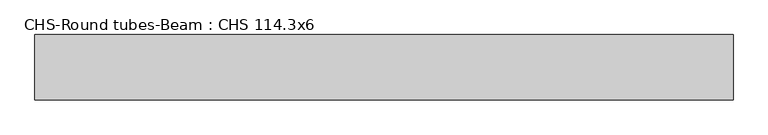
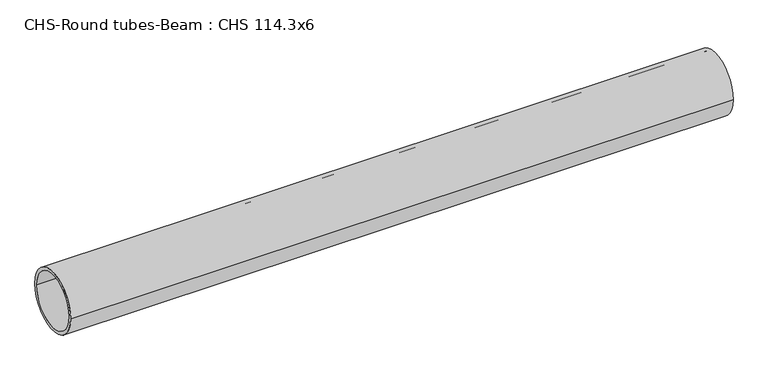
"""IFC4 building model written with IfcOpenShell, lengths in millimetres: beam geometry, CHS-Round tubes-Beam : CHS 114.3x6."""

from ifc_helpers import new_model, si_unit, point, frame, origin, origin_2d, place, context, project, spatial, circle_curve, trimmed, segment, composite_curve, outline, extrude, source, transform, mapped, element, save


def chs_round_tubes_beam_chs_114_3x6_86b08fa2(model_context):
    return source(origin(), model_context, "Body", "SweptSolid", [
        extrude(outline(composite_curve([segment(trimmed(circle_curve(origin_2d(), 57.15), [point((57.15, 0.0))], [point((-57.15, 0.0))], False, "CARTESIAN"), True, "CONTINUOUS"), segment(trimmed(circle_curve(origin_2d(), 57.15), [point((-57.15, 0.0))], [point((57.15, 0.0))], False, "CARTESIAN"), True, "CONTINUOUS")], self_intersect=False), holes=[composite_curve([segment(trimmed(circle_curve(origin_2d(), 51.15), [point((51.15, 0.0))], [point((-51.15, 0.0))], True, "CARTESIAN"), True, "CONTINUOUS"), segment(trimmed(circle_curve(origin_2d(), 51.15), [point((-51.15, 0.0))], [point((51.15, 0.0))], True, "CARTESIAN"), True, "CONTINUOUS")], self_intersect=False)]), frame((-634.4890823, 0.0, 0.0), z_axis=(1.0, 0.0, 0.0), x_axis=(0.0, 1.0, 0.0)), (0.0, 0.0, 1.0), 1222.6468448),
    ])


if __name__ == "__main__":
    model = new_model("IFC4")
    model_context = context("Model", 3, world=origin())
    ifc_project = project(units=[si_unit("LENGTHUNIT", "METRE", prefix="MILLI")], contexts=[model_context])
    site = spatial("IfcSite", under=ifc_project)
    building = spatial("IfcBuilding", under=site)
    placement = place(None, origin())
    chs_round_tubes_beam_chs_114_3x6_shape = chs_round_tubes_beam_chs_114_3x6_86b08fa2(model_context)
    element("IfcBeam", 1, ObjectType="CHS-Round tubes-Beam : CHS 114.3x6", at=placement, inside=building, context=model_context, shape_type="MappedRepresentation", body=[
        mapped(chs_round_tubes_beam_chs_114_3x6_shape, transform((0.0, 0.0, 0.0), x_axis=(1.0, 0.0, 0.0), y_axis=(0.0, 1.0, 0.0), z_axis=(0.0, 0.0, 1.0))),
    ])
    save(model, "model.ifc")
